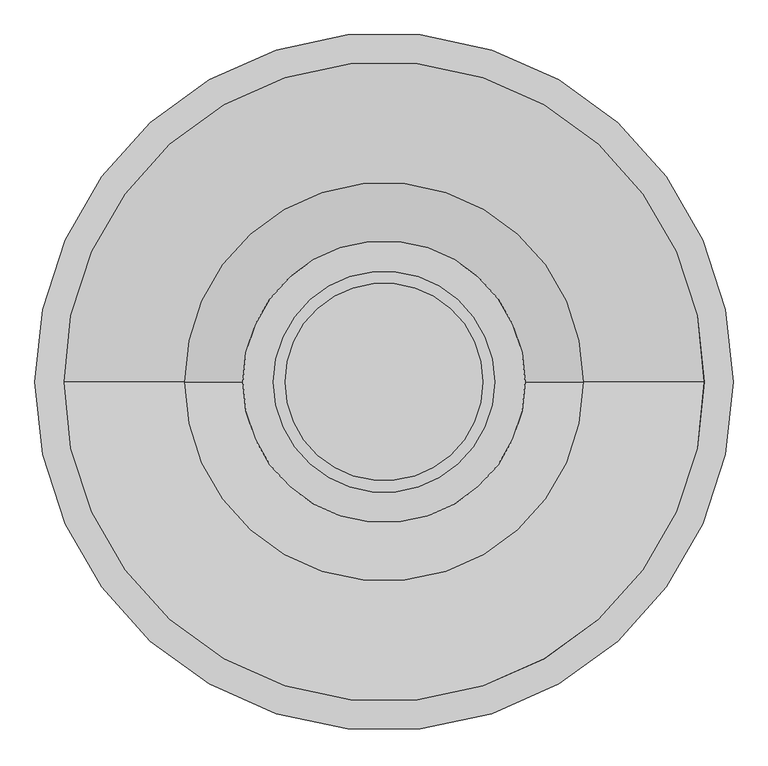
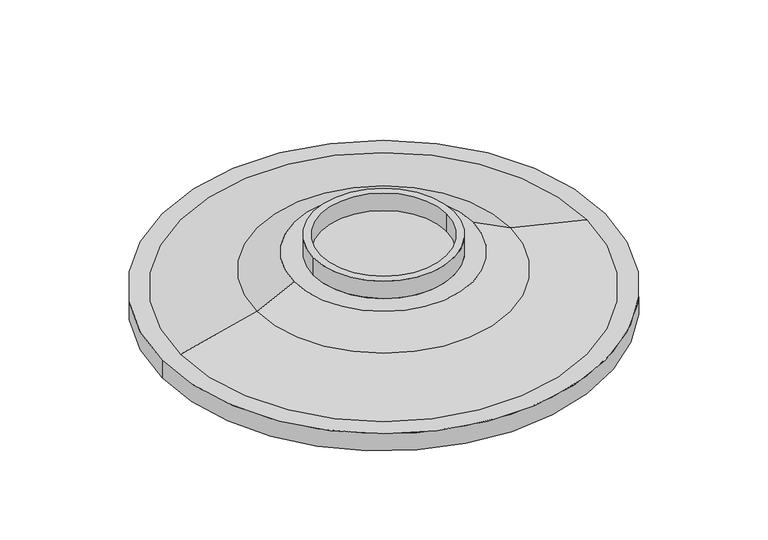
"""IFC4 building model written with IfcOpenShell, lengths in millimetres: proxy geometry."""

from ifc_helpers import new_model, si_unit, frame, origin, place, context, project, spatial, polyline, circle_curve, source, transform, mapped, element, save
from ifc_brep_helpers import plane_surface, cylinder_surface, revolved_surface, advanced_brep


def generic_models_39daa7cf(model_context):
    return source(origin(), model_context, "Body", "AdvancedBrep", [
        advanced_brep(
        [(15400.0, 12000.0, 3000.0), (15400.0, 12000.0, 4000.0), (8600.0, 12000.0, 4000.0), (8600.0, 12000.0, 3000.0), (15800.0, 12000.0, 3000.0), (15800.0, 12000.0, 4000.0), (8200.0, 12000.0, 4000.0), (8200.0, 12000.0, 3000.0), (18850.0, 12000.0, 2000.0), (16850.0, 12000.0, 3000.0), (7150.0, 12000.0, 3000.0), (5150.0, 12000.0, 2000.0), (23000.0, 12000.0, 1000.0), (1000.0, 12000.0, 1000.0), (24000.0, 12000.0, 0.0), (24000.0, 12000.0, 1000.0), (0.0, 12000.0, 1000.0), (0.0, 12000.0, 0.0)],
        [
            (0, 1),
            (1, 2, circle_curve(frame((12000.0, 12000.0, 4000.0), z_axis=(0.0, 0.0, 1.0), x_axis=(1.0, 0.0, 0.0)), 3400.0)),
            (2, 3),
            (3, 0, circle_curve(frame((12000.0, 12000.0, 3000.0), z_axis=(0.0, 0.0, -1.0), x_axis=(1.0, 0.0, 0.0)), 3400.0)),
            (4, 5),
            (5, 6, circle_curve(frame((12000.0, 12000.0, 4000.0), z_axis=(0.0, 0.0, -1.0), x_axis=(1.0, 0.0, 0.0)), 3800.0)),
            (6, 7),
            (7, 4, circle_curve(frame((12000.0, 12000.0, 3000.0), z_axis=(0.0, 0.0, 1.0), x_axis=(1.0, 0.0, 0.0)), 3800.0)),
            (8, 9),
            (9, 10, circle_curve(frame((12000.0, 12000.0, 3000.0), z_axis=(0.0, 0.0, -1.0), x_axis=(-1.0, 0.0, 0.0)), 4850.0)),
            (10, 11),
            (11, 8, circle_curve(frame((12000.0, 12000.0, 2000.0), z_axis=(0.0, 0.0, 1.0), x_axis=(-1.0, 0.0, 0.0)), 6850.0)),
            (12, 8),
            (11, 13),
            (13, 12, circle_curve(frame((12000.0, 12000.0, 1000.0), z_axis=(0.0, 0.0, 1.0), x_axis=(-1.0, 0.0, 0.0)), 11000.0)),
            (14, 15),
            (15, 16, circle_curve(frame((12000.0, 12000.0, 1000.0), z_axis=(0.0, 0.0, -1.0), x_axis=(1.0, 0.0, 0.0)), 12000.0)),
            (16, 17),
            (17, 14, circle_curve(frame((12000.0, 12000.0, 0.0), z_axis=(0.0, 0.0, 1.0), x_axis=(1.0, 0.0, 0.0)), 12000.0)),
            (14, 17, circle_curve(frame((12000.0, 12000.0, 0.0), z_axis=(0.0, 0.0, 1.0), x_axis=(1.0, 0.0, 0.0)), 12000.0)),
            (16, 15, circle_curve(frame((12000.0, 12000.0, 1000.0), z_axis=(0.0, 0.0, -1.0), x_axis=(1.0, 0.0, 0.0)), 12000.0)),
            (13, 12, circle_curve(frame((12000.0, 12000.0, 1000.0), z_axis=(0.0, 0.0, -1.0), x_axis=(1.0, 0.0, 0.0)), 11000.0)),
            (11, 8, circle_curve(frame((12000.0, 12000.0, 2000.0), z_axis=(0.0, 0.0, -1.0), x_axis=(1.0, 0.0, 0.0)), 6850.0)),
            (10, 9, circle_curve(frame((12000.0, 12000.0, 3000.0), z_axis=(0.0, 0.0, -1.0), x_axis=(1.0, 0.0, 0.0)), 4850.0)),
            (7, 4, circle_curve(frame((12000.0, 12000.0, 3000.0), z_axis=(0.0, 0.0, -1.0), x_axis=(1.0, 0.0, 0.0)), 3800.0)),
            (6, 5, circle_curve(frame((12000.0, 12000.0, 4000.0), z_axis=(0.0, 0.0, -1.0), x_axis=(1.0, 0.0, 0.0)), 3800.0)),
            (1, 2, circle_curve(frame((12000.0, 12000.0, 4000.0), z_axis=(0.0, 0.0, -1.0), x_axis=(1.0, 0.0, 0.0)), 3400.0)),
            (0, 3, circle_curve(frame((12000.0, 12000.0, 3000.0), z_axis=(0.0, 0.0, -1.0), x_axis=(1.0, 0.0, 0.0)), 3400.0)),
        ],
        [
            revolved_surface(polyline([(15400.0, 12000.0, 4000.0), (15400.0, 12000.0, 3000.0)]), (12000.0, 12000.0, 3500.0), (0.0, 0.0, 1.0)),
            cylinder_surface(frame((12000.0, 12000.0, 3500.0), z_axis=(0.0, 0.0, 1.0), x_axis=(1.0, 0.0, 0.0)), 3800.0),
            revolved_surface(polyline([(16850.0, 12000.0, 3000.0), (18850.0, 12000.0, 2000.0)]), (12000.0, 12000.0, 5425.0), (0.0, 0.0, -1.0)),
            revolved_surface(polyline([(18849.99999993964, 12000.0, 1999.9999999999998), (23000.0, 12000.0, 1000.0)]), (12000.0, 12000.0, 3650.6024096), (0.0, 0.0, -1.0)),
            cylinder_surface(frame((12000.0, 12000.0, 500.0), z_axis=(0.0, 0.0, 1.0), x_axis=(1.0, 0.0, 0.0)), 12000.0),
            plane_surface(frame((23000.0, 12000.0, 1000.0), z_axis=(0.0, 0.0, 1.0), x_axis=(1.0, 0.0, 0.0))),
            plane_surface(frame((15800.0, 12000.0, 3000.0), z_axis=(0.0, 0.0, 1.0), x_axis=(1.0, 0.0, 0.0))),
            plane_surface(frame((15400.0, 12000.0, 4000.0), z_axis=(0.0, 0.0, 1.0), x_axis=(1.0, 0.0, 0.0))),
            plane_surface(frame((12000.0, 12000.0, 3000.0), z_axis=(0.0, 0.0, 1.0), x_axis=(1.0, 0.0, 0.0))),
            plane_surface(frame((24000.0, 12000.0, 0.0), z_axis=(0.0, 0.0, -1.0), x_axis=(-1.0, 0.0, 0.0))),
        ],
        [
            (0, [[1, 2, 3, 4]]),
            (1, [[5, 6, 7, 8]]),
            (2, [[9, 10, 11, 12]]),
            (3, [[13, -12, 14, 15]]),
            (4, [[16, 17, 18, 19]]),
            (4, [[-16, 20, -18, 21]]),
            (5, [[-21, -17], [22, -15]]),
            (3, [[-13, -22, -14, 23]]),
            (2, [[-9, -23, -11, 24]]),
            (6, [[-24, -10], [25, -8]]),
            (1, [[-5, -25, -7, 26]]),
            (7, [[-26, -6], [-2, 27]]),
            (0, [[-1, 28, -3, -27]]),
            (8, [[-4, -28]]),
            (9, [[-20, -19]]),
        ],
    ),
    ])


if __name__ == "__main__":
    model = new_model("IFC4")
    model_context = context("Model", 3, world=origin())
    ifc_project = project(units=[si_unit("LENGTHUNIT", "METRE", prefix="MILLI")], contexts=[model_context])
    site = spatial("IfcSite", under=ifc_project)
    building = spatial("IfcBuilding", under=site)
    placement = place(None, origin())
    generic_models_shape = generic_models_39daa7cf(model_context)
    element("IfcBuildingElementProxy", 1, Name="Generic Models", at=placement, inside=building, context=model_context, shape_type="MappedRepresentation", body=[
        mapped(generic_models_shape, transform((0.0, 0.0, 0.0), x_axis=(1.0, 0.0, 0.0), y_axis=(0.0, 1.0, 0.0), z_axis=(0.0, 0.0, 1.0))),
    ])
    save(model, "model.ifc")
